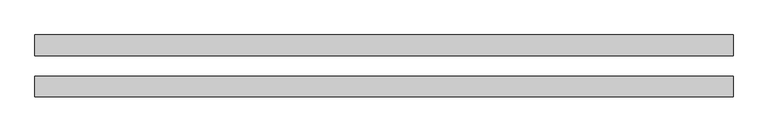
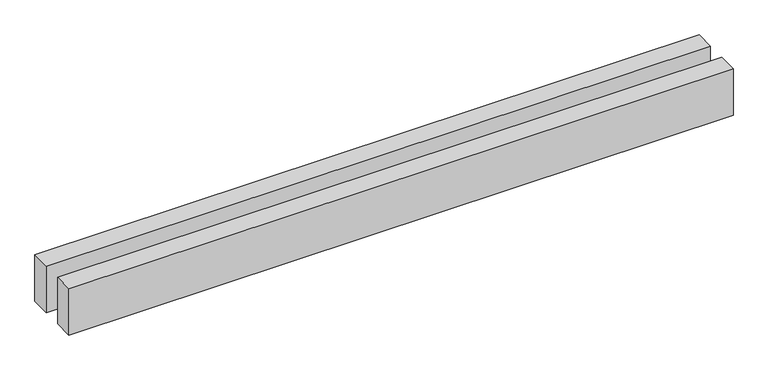
"""IFC4 building model written with IfcOpenShell, lengths in millimetres: proxy geometry."""

from ifc_helpers import new_model, si_unit, origin, origin_with_axes, place, context, project, spatial, polyline, outline, extrude, source, transform, mapped, element, save


def generic_models_1899eae2(model_context):
    return source(origin(), model_context, "Body", "SweptSolid", [
        extrude(outline(polyline([(6770.3296143, 300.0), (6770.3296143, 100.0), (0.0, 100.0), (0.0, 300.0), (6770.3296143, 300.0)])), origin_with_axes(), (0.0, 0.0, 1.0), 500.0),
        extrude(outline(polyline([(6770.3296143, -100.0), (6770.3296143, -300.0), (0.0, -300.0), (0.0, -100.0), (6770.3296143, -100.0)])), origin_with_axes(), (0.0, 0.0, 1.0), 500.0),
    ])


if __name__ == "__main__":
    model = new_model("IFC4")
    model_context = context("Model", 3, world=origin())
    ifc_project = project(units=[si_unit("LENGTHUNIT", "METRE", prefix="MILLI")], contexts=[model_context])
    site = spatial("IfcSite", under=ifc_project)
    building = spatial("IfcBuilding", under=site)
    placement = place(None, origin())
    generic_models_shape = generic_models_1899eae2(model_context)
    element("IfcBuildingElementProxy", 1, Name="Generic Models", at=placement, inside=building, context=model_context, shape_type="MappedRepresentation", body=[
        mapped(generic_models_shape, transform((0.0, 0.0, 0.0), x_axis=(1.0, 0.0, 0.0), y_axis=(0.0, 1.0, 0.0), z_axis=(0.0, 0.0, 1.0))),
    ])
    save(model, "model.ifc")
